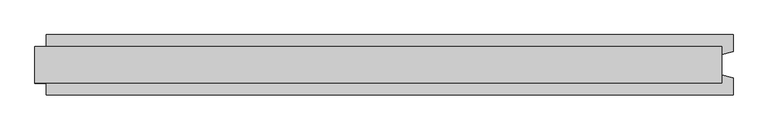
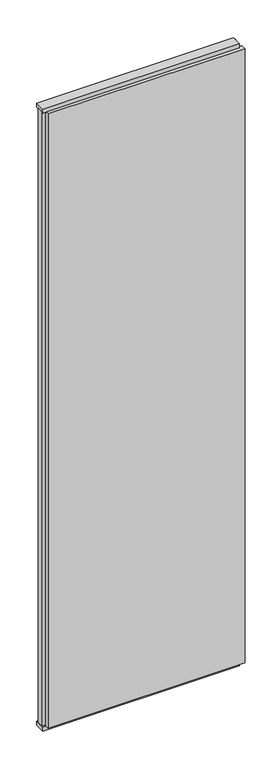
"""IFC4 building model written with IfcOpenShell, lengths in millimetres: plate geometry."""

from ifc_helpers import new_model, si_unit, frame, origin, origin_with_axes, place, context, project, spatial, polyline, outline, extrude, source, transform, mapped, element, save


def plate_374750df(model_context):
    return source(origin(), model_context, "Body", "SweptSolid", [
        extrude(outline(polyline([(619.0, 52.5), (619.0, 22.9993165), (599.0, 17.6401049), (599.0, -17.6401049), (619.0, -22.9993165), (619.0, -52.5), (-579.0, -52.5), (-579.0, -22.9993165), (-599.0, -17.6401049), (-599.0, 17.6401049), (-579.0, 22.9993165), (-579.0, 52.5), (619.0, 52.5)])), frame((0.0, 0.0, 25.0), z_axis=(0.0, 0.0, 1.0), x_axis=(1.0, 0.0, 0.0)), (0.0, 0.0, 1.0), 3950.0),
        extrude(outline(polyline([(599.0, 32.0), (599.0, -32.0), (-599.0, -32.0), (-599.0, 32.0), (599.0, 32.0)])), origin_with_axes(), (0.0, 0.0, 1.0), 25.0),
        extrude(outline(polyline([(599.0, 32.0), (599.0, -32.0), (-599.0, -32.0), (-599.0, 32.0), (599.0, 32.0)])), frame((0.0, 0.0, 3975.0), z_axis=(0.0, 0.0, 1.0), x_axis=(1.0, 0.0, 0.0)), (0.0, 0.0, 1.0), 25.0),
    ])


if __name__ == "__main__":
    model = new_model("IFC4")
    model_context = context("Model", 3, world=origin())
    ifc_project = project(units=[si_unit("LENGTHUNIT", "METRE", prefix="MILLI")], contexts=[model_context])
    site = spatial("IfcSite", under=ifc_project)
    building = spatial("IfcBuilding", under=site)
    placement = place(None, origin())
    plate_shape = plate_374750df(model_context)
    element("IfcPlate", 1, at=placement, inside=building, context=model_context, shape_type="MappedRepresentation", body=[
        mapped(plate_shape, transform((0.0, 0.0, 0.0), x_axis=(1.0, 0.0, 0.0), y_axis=(0.0, 1.0, 0.0), z_axis=(0.0, 0.0, 1.0))),
    ])
    save(model, "model.ifc")
